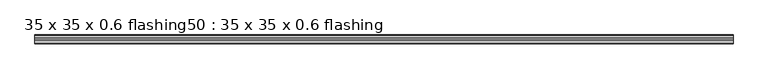
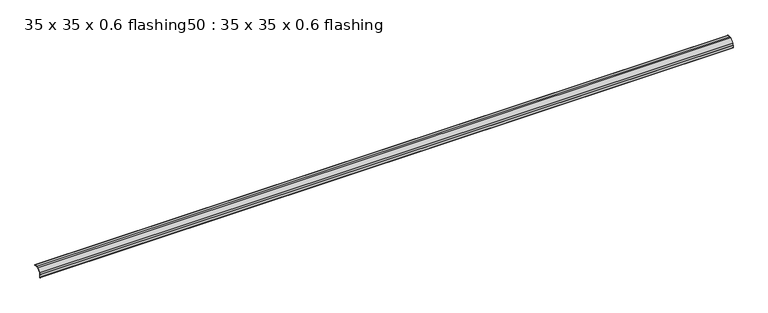
"""IFC4 building model written with IfcOpenShell, lengths in millimetres: proxy geometry, 35 x 35 x 0.6 flashing50 : 35 x 35 x 0.6 flashing."""

from ifc_helpers import new_model, si_unit, point, frame, frame_2d, origin, place, context, project, spatial, polyline, circle_curve, trimmed, segment, composite_curve, outline, extrude, source, transform, mapped, element, save


def proxy_35_x_35_x_0_6_flashing50_35_x_35_x_0_6_flashing_978f604d(model_context):
    return source(origin(), model_context, "Body", "SweptSolid", [
        extrude(outline(composite_curve([segment(trimmed(circle_curve(frame_2d((-23199.024157, 1397.1787912)), 1.0), [point((-23198.024157, 1397.1787912))], [point((-23200.024157, 1397.1787912))], False, "CARTESIAN"), True, "CONTINUOUS"), segment(polyline([(-23200.024157, 1397.1787912), (-23200.024157, 1406.2114686), (-23199.024157, 1406.2114686), (-23199.024157, 1413.1787912), (-23186.8142343, 1425.3887139), (-23179.8469117, 1425.3887139), (-23179.8469117, 1426.3887139), (-23170.8142343, 1426.3887139)]), True, "CONTINUOUS"), segment(trimmed(circle_curve(frame_2d((-23170.8142343, 1425.3887139)), 1.0), [point((-23170.8142343, 1426.3887139))], [point((-23170.8142343, 1424.3887139))], False, "CARTESIAN"), True, "CONTINUOUS"), segment(polyline([(-23170.8142343, 1424.3887139), (-23186.4000208, 1424.3887139), (-23198.024157, 1412.7645777), (-23198.024157, 1397.1787912)]), True, "CONTINUOUS")], self_intersect=False)), frame((-7919.6640929, 0.0, 0.0), z_axis=(1.0, 0.0, 0.0), x_axis=(0.0, 1.0, 0.0)), (0.0, 0.0, 1.0), 2410.6438934),
    ])


if __name__ == "__main__":
    model = new_model("IFC4")
    model_context = context("Model", 3, world=origin())
    ifc_project = project(units=[si_unit("LENGTHUNIT", "METRE", prefix="MILLI")], contexts=[model_context])
    site = spatial("IfcSite", under=ifc_project)
    building = spatial("IfcBuilding", under=site)
    placement = place(None, origin())
    proxy_35_x_35_x_0_6_flashing50_35_x_35_x_0_6_flashing_shape = proxy_35_x_35_x_0_6_flashing50_35_x_35_x_0_6_flashing_978f604d(model_context)
    element("IfcBuildingElementProxy", 1, Name="35 x 35 x 0.6 flashing50 : 35 x 35 x 0.6 flashing", ObjectType="35 x 35 x 0.6 flashing50 : 35 x 35 x 0.6 flashing", at=placement, inside=building, context=model_context, shape_type="MappedRepresentation", body=[
        mapped(proxy_35_x_35_x_0_6_flashing50_35_x_35_x_0_6_flashing_shape, transform((0.0, 0.0, 0.0), x_axis=(1.0, 0.0, 0.0), y_axis=(0.0, 1.0, 0.0), z_axis=(0.0, 0.0, 1.0))),
    ])
    save(model, "model.ifc")
